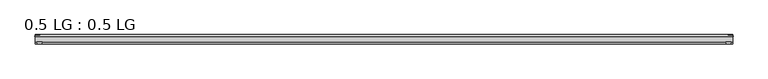
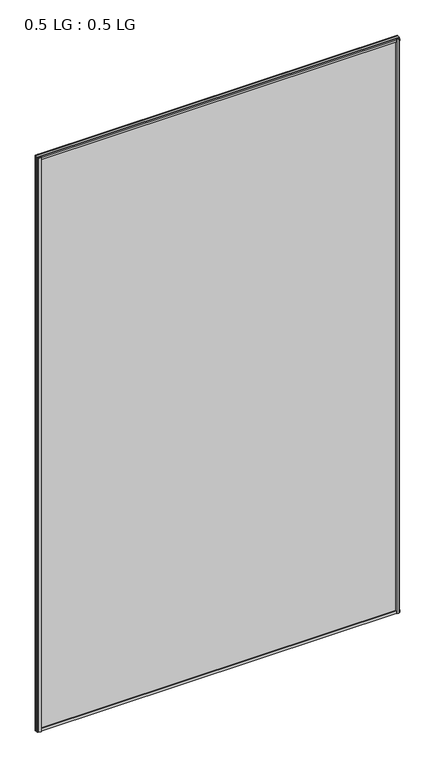
"""IFC4 building model written with IfcOpenShell, lengths in millimetres: plate geometry, 0.5 LG : 0.5 LG."""

from ifc_helpers import new_model, si_unit, frame, origin, origin_with_axes, place, context, project, spatial, polyline, outline, extrude, source, transform, mapped, element, save


def plate_0_5_lg_0_5_lg_f5262200(model_context):
    return source(origin(), model_context, "Body", "SweptSolid", [
        extrude(outline(polyline([(-843.2139513, 16.9767247), (-844.4235412, 21.828125), (-830.8660345, 21.828125), (-832.0756244, 16.9767247), (-843.2139513, 16.9767247)])), origin_with_axes(), (0.0, 0.0, 1.0), 2842.276264),
        extrude(outline(polyline([(-848.6599387, 34.680525), (-847.4221258, 39.4557249), (-836.3096173, 39.4557249), (-835.0958142, 34.680525), (-848.6599387, 34.680525)])), origin_with_axes(), (0.0, 0.0, 1.0), 2842.276264),
        extrude(outline(polyline([(843.2139513, 16.9767247), (832.0756244, 16.9767247), (830.8660345, 21.828125), (844.4235412, 21.828125), (843.2139513, 16.9767247)])), origin_with_axes(), (0.0, 0.0, 1.0), 2842.276264),
        extrude(outline(polyline([(848.6599387, 34.680525), (835.0958142, 34.680525), (836.3096173, 39.4557249), (847.4221258, 39.4557249), (848.6599387, 34.680525)])), origin_with_axes(), (0.0, 0.0, 1.0), 2842.276264),
        extrude(outline(polyline([(39.4569539, 11.124921), (39.4569539, 0.0005878), (34.680525, -1.2138382), (34.680525, 12.3392211), (39.4569539, 11.124921)])), frame((-847.4221258, 0.0, 0.0), z_axis=(1.0, 0.0, 0.0), x_axis=(0.0, 1.0, 0.0)), (0.0, 0.0, 1.0), 1694.8442516),
        extrude(outline(polyline([(16.9767101, 13.8303088), (21.828125, 15.0636853), (21.828125, 1.4714303), (16.9767101, 2.704584), (16.9767101, 13.8303088)])), frame((-847.4221258, 0.0, 0.0), z_axis=(1.0, 0.0, 0.0), x_axis=(0.0, 1.0, 0.0)), (0.0, 0.0, 1.0), 1694.8442516),
        extrude(outline(polyline([(39.4569539, 2831.151343), (34.680525, 2829.9370429), (34.680525, 2843.4901022), (39.4569539, 2842.2756761), (39.4569539, 2831.151343)])), frame((-847.4221258, 0.0, 0.0), z_axis=(1.0, 0.0, 0.0), x_axis=(0.0, 1.0, 0.0)), (0.0, 0.0, 1.0), 1694.8442516),
        extrude(outline(polyline([(16.9767101, 2828.4459552), (16.9767101, 2839.57168), (21.828125, 2840.8048337), (21.828125, 2827.2125787), (16.9767101, 2828.4459552)])), frame((-847.4221258, 0.0, 0.0), z_axis=(1.0, 0.0, 0.0), x_axis=(0.0, 1.0, 0.0)), (0.0, 0.0, 1.0), 1694.8442516),
        extrude(outline(polyline([(847.4221258, 34.680525), (847.4221258, 21.828125), (-847.4221258, 21.828125), (-847.4221258, 34.680525), (847.4221258, 34.680525)])), origin_with_axes(), (0.0, 0.0, 1.0), 2842.276264),
    ])


if __name__ == "__main__":
    model = new_model("IFC4")
    model_context = context("Model", 3, world=origin())
    ifc_project = project(units=[si_unit("LENGTHUNIT", "METRE", prefix="MILLI")], contexts=[model_context])
    site = spatial("IfcSite", under=ifc_project)
    building = spatial("IfcBuilding", under=site)
    placement = place(None, origin())
    plate_0_5_lg_0_5_lg_shape = plate_0_5_lg_0_5_lg_f5262200(model_context)
    element("IfcPlate", 1, ObjectType="0.5 LG : 0.5 LG", at=placement, inside=building, context=model_context, shape_type="MappedRepresentation", body=[
        mapped(plate_0_5_lg_0_5_lg_shape, transform((0.0, 0.0, 0.0), x_axis=(1.0, 0.0, 0.0), y_axis=(0.0, 1.0, 0.0), z_axis=(0.0, 0.0, 1.0))),
    ])
    save(model, "model.ifc")
